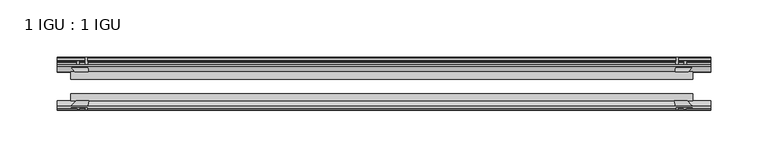
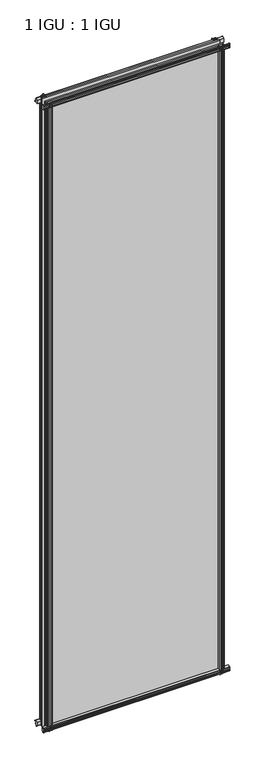
"""IFC4 building model written with IfcOpenShell, lengths in millimetres: plate geometry, 1 IGU : 1 IGU."""

from ifc_helpers import new_model, si_unit, point, frame, frame_2d, origin, place, context, project, spatial, polyline, circle_curve, trimmed, segment, composite_curve, outline, extrude, source, transform, mapped, element, save


def plate_1_igu_1_igu_03d9e985(model_context):
    return source(origin(), model_context, "Body", "SweptSolid", [
        extrude(outline(composite_curve([segment(polyline([(-57.0900403, 1.731044), (-50.00625, 3.0983599), (-50.00625, -7.92383), (-54.1882244, -12.1058044)]), True, "CONTINUOUS"), segment(trimmed(circle_curve(frame_2d((-55.08625, -11.2077788)), 1.27), [point((-54.1882244, -12.1058044))], [point((-56.35625, -11.2077788))], False, "CARTESIAN"), True, "CONTINUOUS"), segment(polyline([(-56.35625, -11.2077788), (-56.35625, -8.0327788), (-57.835546, -5.4488186), (-56.35625, -5.1879788), (-56.35625, 0.2222212), (-57.65913, 0.0383748)]), True, "CONTINUOUS"), segment(trimmed(circle_curve(frame_2d((-56.9150839, 0.7302212)), 1.016), [point((-57.65913, 0.0383748))], [point((-57.0900403, 1.731044))], False, "CARTESIAN"), True, "CONTINUOUS")], self_intersect=False)), frame((-283.2989, 0.0, 0.0), z_axis=(1.0, 0.0, 0.0), x_axis=(0.0, 1.0, 0.0)), (0.0, 0.0, 1.0), 570.6364),
        extrude(outline(composite_curve([segment(polyline([(-24.60625, 2.5763839), (-12.8423053, 1.6478499)]), True, "CONTINUOUS"), segment(trimmed(circle_curve(frame_2d((-12.92225, 0.635)), 1.016), [point((-12.8423053, 1.6478499))], [point((-12.1291353, 0.0))], False, "CARTESIAN"), True, "CONTINUOUS"), segment(polyline([(-12.1291353, 0.0), (-18.25625, 0.0), (-18.25625, -4.953), (-15.9568457, -5.5691235), (-16.3325195, -4.1670901), (-15.4738114, -3.937), (-14.82725, -6.35), (-15.4738114, -8.763), (-16.3325195, -8.5329099), (-15.9568457, -7.1308765), (-18.25625, -7.747), (-18.25625, -12.7), (-20.28825, -12.7), (-24.60625, -9.1036931), (-24.60625, 2.5763839)]), True, "CONTINUOUS")], self_intersect=False)), frame((-283.2989, 0.0, 0.0), z_axis=(1.0, 0.0, 0.0), x_axis=(0.0, 1.0, 0.0)), (0.0, 0.0, 1.0), 570.6364),
        extrude(outline(composite_curve([segment(polyline([(-20.28825, 2019.3), (-18.25625, 2019.3), (-18.25625, 2014.347), (-15.9568457, 2013.7308765), (-16.3325195, 2015.1329099), (-15.4738114, 2015.363), (-14.82725, 2012.95), (-15.4738114, 2010.537), (-16.3325195, 2010.7670901), (-15.9568457, 2012.1691235), (-18.25625, 2011.553), (-18.25625, 2006.6), (-12.1291353, 2006.6)]), True, "CONTINUOUS"), segment(trimmed(circle_curve(frame_2d((-12.92225, 2005.965)), 1.016), [point((-12.1291353, 2006.6))], [point((-12.8423053, 2004.9521501))], False, "CARTESIAN"), True, "CONTINUOUS"), segment(polyline([(-12.8423053, 2004.9521501), (-24.60625, 2004.0236161), (-24.60625, 2015.7036931), (-20.28825, 2019.3)]), True, "CONTINUOUS")], self_intersect=False)), frame((-283.2989, 0.0, 0.0), z_axis=(1.0, 0.0, 0.0), x_axis=(0.0, 1.0, 0.0)), (0.0, 0.0, 1.0), 570.6364),
        extrude(outline(composite_curve([segment(trimmed(circle_curve(frame_2d((-56.9150839, 2005.8697788)), 1.016), [point((-57.0900403, 2004.868956))], [point((-57.65913, 2006.5616252))], False, "CARTESIAN"), True, "CONTINUOUS"), segment(polyline([(-57.65913, 2006.5616252), (-56.35625, 2006.3777788), (-56.35625, 2011.7879788), (-57.835546, 2012.0488186), (-56.35625, 2014.6327788), (-56.35625, 2017.8077788)]), True, "CONTINUOUS"), segment(trimmed(circle_curve(frame_2d((-55.08625, 2017.8077788)), 1.27), [point((-56.35625, 2017.8077788))], [point((-54.1882244, 2018.7058044))], False, "CARTESIAN"), True, "CONTINUOUS"), segment(polyline([(-54.1882244, 2018.7058044), (-50.00625, 2014.52383), (-50.00625, 2003.5016401), (-57.0900403, 2004.868956)]), True, "CONTINUOUS")], self_intersect=False)), frame((-283.2989, 0.0, 0.0), z_axis=(1.0, 0.0, 0.0), x_axis=(0.0, 1.0, 0.0)), (0.0, 0.0, 1.0), 570.6364),
        extrude(outline(composite_curve([segment(polyline([(256.1861161, -24.60625), (257.1146501, -12.8423053)]), True, "CONTINUOUS"), segment(trimmed(circle_curve(frame_2d((258.1275, -12.92225)), 1.016), [point((257.1146501, -12.8423053))], [point((258.7625, -12.1291353))], False, "CARTESIAN"), True, "CONTINUOUS"), segment(polyline([(258.7625, -12.1291353), (258.7625, -18.25625), (263.7155, -18.25625), (264.3316235, -15.9568457), (262.9295901, -16.3325195), (262.6995, -15.4738114), (265.1125, -14.82725), (267.5255, -15.4738114), (267.2954099, -16.3325195), (265.8933765, -15.9568457), (266.5095, -18.25625), (271.4625, -18.25625), (271.4625, -20.28825), (267.8661931, -24.60625), (256.1861161, -24.60625)]), True, "CONTINUOUS")], self_intersect=False)), frame((0.0, 0.0, -12.7), z_axis=(0.0, 0.0, 1.0), x_axis=(1.0, 0.0, 0.0)), (0.0, 0.0, 1.0), 2032.0),
        extrude(outline(composite_curve([segment(polyline([(263.9504788, -56.35625), (258.5402788, -56.35625), (258.7241252, -57.65913)]), True, "CONTINUOUS"), segment(trimmed(circle_curve(frame_2d((258.0322788, -56.9150839)), 1.016), [point((258.7241252, -57.65913))], [point((257.031456, -57.0900403))], False, "CARTESIAN"), True, "CONTINUOUS"), segment(polyline([(257.031456, -57.0900403), (255.6641401, -50.00625), (266.68633, -50.00625), (270.8683044, -54.1882244)]), True, "CONTINUOUS"), segment(trimmed(circle_curve(frame_2d((269.9702788, -55.08625)), 1.27), [point((270.8683044, -54.1882244))], [point((269.9702788, -56.35625))], False, "CARTESIAN"), True, "CONTINUOUS"), segment(polyline([(269.9702788, -56.35625), (266.7952788, -56.35625), (264.2113186, -57.835546), (263.9504788, -56.35625)]), True, "CONTINUOUS")], self_intersect=False)), frame((0.0, 0.0, -12.7), z_axis=(0.0, 0.0, 1.0), x_axis=(1.0, 0.0, 0.0)), (0.0, 0.0, 1.0), 2032.0),
        extrude(outline(composite_curve([segment(polyline([(-256.1861161, -24.60625), (-267.8661931, -24.60625), (-271.4625, -20.28825), (-271.4625, -18.25625), (-266.5095, -18.25625), (-265.8933765, -15.9568457), (-267.2954099, -16.3325195), (-267.5255, -15.4738114), (-265.1125, -14.82725), (-262.6995, -15.4738114), (-262.9295901, -16.3325195), (-264.3316235, -15.9568457), (-263.7155, -18.25625), (-258.7625, -18.25625), (-258.7625, -12.1291353)]), True, "CONTINUOUS"), segment(trimmed(circle_curve(frame_2d((-258.1275, -12.92225)), 1.016), [point((-258.7625, -12.1291353))], [point((-257.1146501, -12.8423053))], False, "CARTESIAN"), True, "CONTINUOUS"), segment(polyline([(-257.1146501, -12.8423053), (-256.1861161, -24.60625)]), True, "CONTINUOUS")], self_intersect=False)), frame((0.0, 0.0, -12.7), z_axis=(0.0, 0.0, 1.0), x_axis=(1.0, 0.0, 0.0)), (0.0, 0.0, 1.0), 2032.0),
        extrude(outline(composite_curve([segment(polyline([(-255.6641401, -50.00625), (-257.031456, -57.0900403)]), True, "CONTINUOUS"), segment(trimmed(circle_curve(frame_2d((-258.0322788, -56.9150839)), 1.016), [point((-257.031456, -57.0900403))], [point((-258.7241252, -57.65913))], False, "CARTESIAN"), True, "CONTINUOUS"), segment(polyline([(-258.7241252, -57.65913), (-258.5402788, -56.35625), (-263.9504788, -56.35625), (-264.2113186, -57.835546), (-266.7952788, -56.35625), (-269.9702788, -56.35625)]), True, "CONTINUOUS"), segment(trimmed(circle_curve(frame_2d((-269.9702788, -55.08625)), 1.27), [point((-269.9702788, -56.35625))], [point((-270.8683044, -54.1882244))], False, "CARTESIAN"), True, "CONTINUOUS"), segment(polyline([(-270.8683044, -54.1882244), (-266.68633, -50.00625), (-255.6641401, -50.00625)]), True, "CONTINUOUS")], self_intersect=False)), frame((0.0, 0.0, -12.7), z_axis=(0.0, 0.0, 1.0), x_axis=(1.0, 0.0, 0.0)), (0.0, 0.0, 1.0), 2032.0),
        extrude(outline(polyline([(-271.4625, -24.60625), (271.4625, -24.60625), (271.4625, -30.95625), (-271.4625, -30.95625), (-271.4625, -24.60625)])), frame((0.0, 0.0, -12.7), z_axis=(0.0, 0.0, 1.0), x_axis=(1.0, 0.0, 0.0)), (0.0, 0.0, 1.0), 2032.0),
        extrude(outline(polyline([(271.4625, -43.65625), (271.4625, -50.00625), (-271.4625, -50.00625), (-271.4625, -43.65625), (271.4625, -43.65625)])), frame((0.0, 0.0, -12.7), z_axis=(0.0, 0.0, 1.0), x_axis=(1.0, 0.0, 0.0)), (0.0, 0.0, 1.0), 2032.0),
    ])


if __name__ == "__main__":
    model = new_model("IFC4")
    model_context = context("Model", 3, world=origin())
    ifc_project = project(units=[si_unit("LENGTHUNIT", "METRE", prefix="MILLI")], contexts=[model_context])
    site = spatial("IfcSite", under=ifc_project)
    building = spatial("IfcBuilding", under=site)
    placement = place(None, origin())
    plate_1_igu_1_igu_shape = plate_1_igu_1_igu_03d9e985(model_context)
    element("IfcPlate", 1, ObjectType="1 IGU : 1 IGU", at=placement, inside=building, context=model_context, shape_type="MappedRepresentation", body=[
        mapped(plate_1_igu_1_igu_shape, transform((0.0, 0.0, 0.0), x_axis=(1.0, 0.0, 0.0), y_axis=(0.0, 1.0, 0.0), z_axis=(0.0, 0.0, 1.0))),
    ])
    save(model, "model.ifc")
